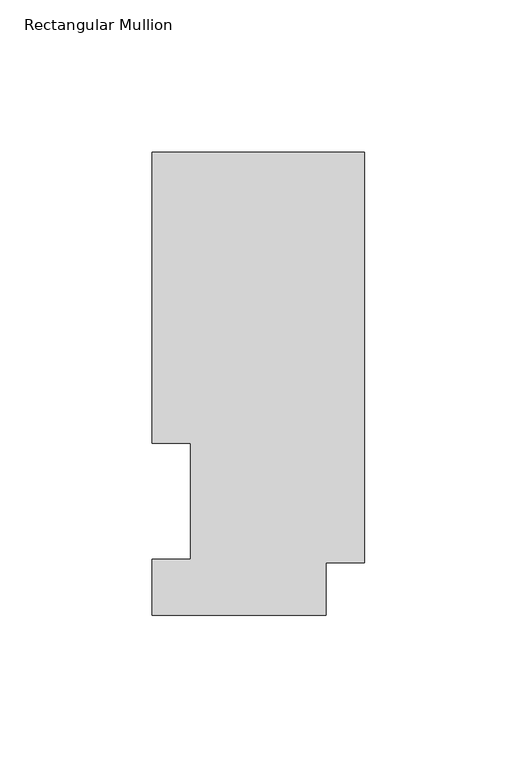
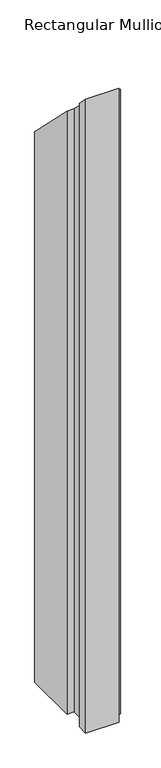
"""IFC4 building model written with IfcOpenShell, lengths in millimetres: member geometry, Rectangular Mullion."""

import ifcopenshell
import ifcopenshell.guid

model = None  # the IFC model being written
_history = None  # IfcOwnerHistory: only IFC2X3 demands one
_inside = {}  # id of a spatial element -> (the spatial element, [elements in it])
_under = {}  # id of a project, library or spatial element -> (it, [spatial elements below it])
_declared = {}  # id of a project -> (the project, [libraries it declares])
_typed = {}  # id of a type object -> (the type object, [elements of that type])
_made_of = {}  # id of a material, layer set ... -> (it, [elements and type objects made of it])


def new_model(schema):
    """Start an empty IFC model of exactly this schema.

    Asked for "IFC4X3", IfcOpenShell would pick the latest addendum, in which some entities
    have other attributes; the version numbers below select the first issue.
    IFC2X3 requires an IfcOwnerHistory on every rooted entity: one is made here for all.
    """
    global model, _history
    if schema == "IFC4X3":
        model = ifcopenshell.file(schema_version=(4, 3, 0, 0))
    else:
        model = ifcopenshell.file(schema=schema)
    _inside.clear()
    _under.clear()
    _declared.clear()
    _typed.clear()
    _made_of.clear()
    _history = None
    if model.schema == "IFC2X3":
        org = make("IfcOrganization", Name="unknown")
        user = make(
            "IfcPersonAndOrganization",
            ThePerson=make("IfcPerson", FamilyName="unknown"),
            TheOrganization=org,
        )
        app = make(
            "IfcApplication",
            ApplicationDeveloper=org,
            Version="unknown",
            ApplicationFullName="unknown",
            ApplicationIdentifier="unknown",
        )
        _history = make(
            "IfcOwnerHistory",
            OwningUser=user,
            OwningApplication=app,
            ChangeAction="ADDED",
            CreationDate=0,
        )
    return model


def make(cls, **values):
    """One entity of the class cls with the attributes given. An attribute that is None is left unset."""
    return model.create_entity(
        cls, **{name: value for name, value in values.items() if value is not None}
    )


def rooted(cls, **values):
    """An entity with a GlobalId (a new one), such as an element, a storey or a relation."""
    return make(cls, GlobalId=ifcopenshell.guid.new(), OwnerHistory=_history, **values)


def si_unit(unit_type, name, prefix=None):
    """IfcSIUnit, for example si_unit("LENGTHUNIT", "METRE", prefix="MILLI")."""
    return make("IfcSIUnit", UnitType=unit_type, Prefix=prefix, Name=name)


def assignment(units):
    """IfcUnitAssignment: the units of a project."""
    return None if units is None else make("IfcUnitAssignment", Units=units)


def point(xyz):
    """IfcCartesianPoint."""
    return None if xyz is None else make("IfcCartesianPoint", Coordinates=xyz)


def direction(xyz):
    """IfcDirection."""
    return None if xyz is None else make("IfcDirection", DirectionRatios=xyz)


def frame(location, z_axis=None, x_axis=None):
    """IfcAxis2Placement3D, a coordinate frame: its origin and axes. An axis left out is left unset."""
    return make(
        "IfcAxis2Placement3D",
        Location=point(location),
        Axis=direction(z_axis),
        RefDirection=direction(x_axis),
    )


def origin():
    """The frame at (0, 0, 0) with its axes left unset."""
    return frame((0.0, 0.0, 0.0))


def place(relative_to, where):
    """IfcLocalPlacement: puts the frame where relative to a parent placement (None: the world)."""
    return make(
        "IfcLocalPlacement", PlacementRelTo=relative_to, RelativePlacement=where
    )


def context(
    kind, dimensions, precision=None, world=None, true_north=None, identifier=None
):
    """IfcGeometricRepresentationContext, for example the 3D "Model" context."""
    return make(
        "IfcGeometricRepresentationContext",
        ContextIdentifier=identifier,
        ContextType=kind,
        CoordinateSpaceDimension=dimensions,
        Precision=precision,
        WorldCoordinateSystem=world,
        TrueNorth=true_north,
    )


def project(units=None, contexts=None):
    """IfcProject with its units and contexts."""
    return rooted(
        "IfcProject",
        Name="project",
        RepresentationContexts=contexts,
        UnitsInContext=assignment(units),
    )


def spatial(cls, under=None, at=None, **own):
    """A site, building, storey or space (cls), placed at a placement, below another one or the project."""
    s = rooted(cls, ObjectPlacement=at, **own)
    if under is not None:
        _under.setdefault(under.id(), (under, []))[1].append(s)
    return s


def faces_of(points, faces, orient=None, outer=None):
    """IfcFace entities. A face is a list of loops; a loop is a list of indices into points, from 0.

    orient and outer hold one flag for each loop. By default every Orientation is true, the
    first loop of a face is its IfcFaceOuterBound and the others are IfcFaceBound.
    """
    made = []
    for i, loops in enumerate(faces):
        bounds = []
        for j, loop in enumerate(loops):
            is_outer = j == 0 if outer is None else outer[i][j]
            bounds.append(
                make(
                    "IfcFaceOuterBound" if is_outer else "IfcFaceBound",
                    Bound=make("IfcPolyLoop", Polygon=[points[k] for k in loop]),
                    Orientation=True if orient is None else orient[i][j],
                )
            )
        made.append(make("IfcFace", Bounds=bounds))
    return made


def faceted_brep(points, faces, orient=None, outer=None, voids=None):
    """IfcFacetedBrep: a solid bounded by flat faces; with voids (closed shells), ...WithVoids."""
    shared = [point(p) for p in points]
    hull = make("IfcClosedShell", CfsFaces=faces_of(shared, faces, orient, outer))
    if voids is None:
        return make("IfcFacetedBrep", Outer=hull)
    return make(
        "IfcFacetedBrepWithVoids",
        Outer=hull,
        Voids=[
            make(cls, CfsFaces=faces_of(shared, fs, o, b)) for cls, fs, o, b in voids
        ],
    )


def shape(context_of_items, identifier, shape_type, items):
    """IfcShapeRepresentation: the items that make up one representation, for example the "Body"."""
    return make(
        "IfcShapeRepresentation",
        ContextOfItems=context_of_items,
        RepresentationIdentifier=identifier,
        RepresentationType=shape_type,
        Items=items,
    )


def source(mapping_origin, context_of_items, identifier, shape_type, items):
    """IfcRepresentationMap: a shape defined once, which mapped items show again and again."""
    return make(
        "IfcRepresentationMap",
        MappingOrigin=mapping_origin,
        MappedRepresentation=shape(context_of_items, identifier, shape_type, items),
    )


def transform(
    local_origin,
    x_axis=None,
    y_axis=None,
    z_axis=None,
    scale=None,
    scale2=None,
    scale3=None,
    uniform=True,
):
    """IfcCartesianTransformationOperator3D, or its non-uniform kind. x_axis, y_axis, z_axis: its Axis1, 2, 3."""
    if uniform:
        return make(
            "IfcCartesianTransformationOperator3D",
            Axis1=direction(x_axis),
            Axis2=direction(y_axis),
            LocalOrigin=point(local_origin),
            Scale=scale,
            Axis3=direction(z_axis),
        )
    return make(
        "IfcCartesianTransformationOperator3DnonUniform",
        Axis1=direction(x_axis),
        Axis2=direction(y_axis),
        LocalOrigin=point(local_origin),
        Scale=scale,
        Axis3=direction(z_axis),
        Scale2=scale2,
        Scale3=scale3,
    )


def mapped(mapping_source, mapping_target):
    """IfcMappedItem: shows the shape of a source again, moved by a transform."""
    return make(
        "IfcMappedItem", MappingSource=mapping_source, MappingTarget=mapping_target
    )


def made_of(thing, what):
    """Note that an element or type object is made of a material, layer set ...; save() writes the relation."""
    if what is not None:
        _made_of.setdefault(what.id(), (what, []))[1].append(thing)
    return thing


def element(
    cls,
    number,
    at=None,
    inside=None,
    cuts=None,
    type_object=None,
    material=None,
    context=None,
    identifier="Body",
    shape_type=None,
    held_by="IfcProductDefinitionShape",
    body=None,
    shapes=None,
    **own,
):
    """One element of the class cls, such as IfcWall. Its Tag is "e" and its number.

    at: its placement. inside: the storey or other place that contains it. cuts: it is an
    opening in that element (IfcRelVoidsElement). A single representation is given by context,
    identifier, shape_type and body (its items); several are given by shapes. held_by: the class
    of the entity that holds the representations. save() writes the other relations.
    """
    e = rooted(cls, Tag="e%d" % number, ObjectPlacement=at, **own)
    if body is not None:
        shapes = [shape(context, identifier, shape_type, body)]
    if shapes is not None:
        e.Representation = make(held_by, Representations=shapes)
    if inside is not None:
        _inside.setdefault(inside.id(), (inside, []))[1].append(e)
    if cuts is not None:
        rooted(
            "IfcRelVoidsElement", RelatingBuildingElement=cuts, RelatedOpeningElement=e
        )
    if type_object is not None:
        _typed.setdefault(type_object.id(), (type_object, []))[1].append(e)
    return made_of(e, material)


def aggregate(whole, parts):
    """IfcRelAggregates: a whole, such as a stair, and the parts it consists of."""
    return rooted("IfcRelAggregates", RelatingObject=whole, RelatedObjects=parts)


def save(model, path):
    """Write the relations noted so far, then the file.

    IfcRelAggregates (storeys below a building ...), IfcRelContainedInSpatialStructure (elements
    in a storey), IfcRelDefinesByType, IfcRelAssociatesMaterial and IfcRelDeclares: one each for
    every whole, place, type object, material and project.
    """
    for whole, parts in _under.values():
        aggregate(whole, parts)
    for where, things in _inside.values():
        rooted(
            "IfcRelContainedInSpatialStructure",
            RelatedElements=things,
            RelatingStructure=where,
        )
    for kind, things in _typed.values():
        rooted("IfcRelDefinesByType", RelatedObjects=things, RelatingType=kind)
    for what, things in _made_of.values():
        rooted("IfcRelAssociatesMaterial", RelatedObjects=things, RelatingMaterial=what)
    for by, libraries in _declared.values():
        rooted("IfcRelDeclares", RelatingContext=by, RelatedDefinitions=libraries)
    model.write(path)


def rectangular_mullion_5a9c065b(model_context):
    return source(origin(), model_context, "Body", "Brep", [
        faceted_brep([(0.0, 151.98725, -1152.46785), (0.0, 17.2502496, -1152.46785), (-12.7, 17.2502496, -1152.46785), (-12.7, -0.03175, -1152.46785), (-69.85, -0.03175, -1152.46785), (-69.85, 18.25625, -1152.46785), (-57.15, 18.25625, -1152.46785), (-57.15, 56.35625, -1152.46785), (-69.85, 56.35625, -1152.46785), (-69.85, 151.98725, -1152.46785), (-69.85, 151.98725, -151.98725), (0.0, 151.98725, -151.98725), (-69.85, 56.35625, -56.35625), (-57.15, 56.35625, -56.35625), (-57.15, 18.25625, -18.25625), (-69.85, 18.25625, -18.25625), (-69.85, -0.03175, 0.03175), (-12.7, -0.03175, 0.03175), (-12.7, 17.2502496, -17.2502496), (0.0, 17.2502496, -17.2502496)], [[[0, 1, 2, 3, 4, 5, 6, 7, 8, 9]], [[10, 11, 0, 9]], [[12, 10, 9, 8]], [[13, 12, 8, 7]], [[14, 13, 7, 6]], [[15, 14, 6, 5]], [[16, 15, 5, 4]], [[17, 16, 4, 3]], [[18, 17, 3, 2]], [[19, 18, 2, 1]], [[11, 19, 1, 0]], [[11, 10, 12, 13, 14, 15, 16, 17, 18, 19]]]),
    ])


if __name__ == "__main__":
    model = new_model("IFC4")
    model_context = context("Model", 3, world=origin())
    ifc_project = project(units=[si_unit("LENGTHUNIT", "METRE", prefix="MILLI")], contexts=[model_context])
    site = spatial("IfcSite", under=ifc_project)
    building = spatial("IfcBuilding", under=site)
    placement = place(None, origin())
    rectangular_mullion_shape = rectangular_mullion_5a9c065b(model_context)
    element("IfcMember", 1, ObjectType="Rectangular Mullion", at=placement, inside=building, context=model_context, shape_type="MappedRepresentation", body=[
        mapped(rectangular_mullion_shape, transform((0.0, 0.0, 0.0), x_axis=(1.0, 0.0, 0.0), y_axis=(0.0, 1.0, 0.0), z_axis=(0.0, 0.0, 1.0))),
    ])
    save(model, "model.ifc")
